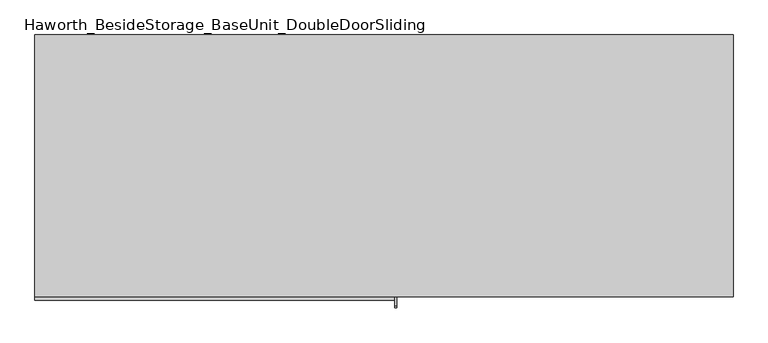
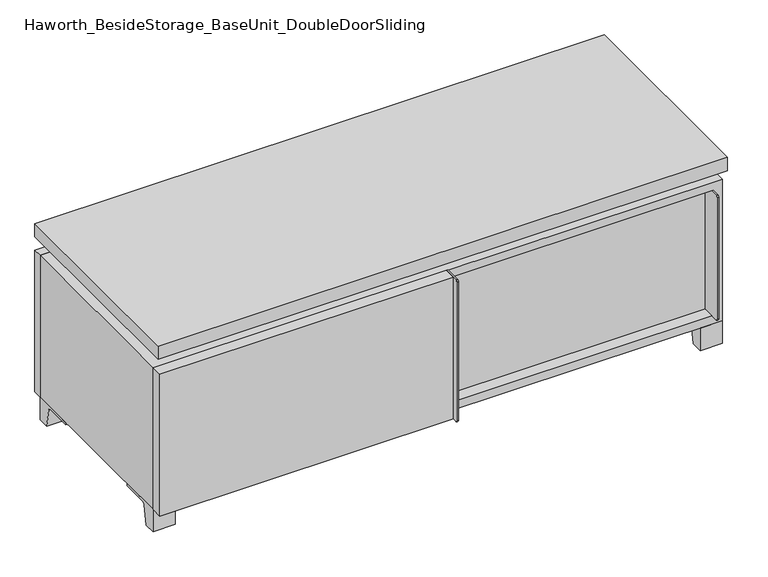
"""IFC4 building model written with IfcOpenShell, lengths in millimetres: furniture geometry, Haworth_BesideStorage_BaseUnit_DoubleDoorSliding."""

from ifc_helpers import new_model, si_unit, point, frame, frame_2d, origin, place, context, project, spatial, polyline, circle_curve, trimmed, segment, composite_curve, outline, extrude, faceted_brep, source, transform, mapped, element, save


def haworth_besidestorage_baseunit_doubledoorsliding_3e0b01a2(model_context):
    return source(origin(), model_context, "Body", "SolidModel", [
        extrude(outline(polyline([(9.5319453, 241.3), (590.5569453, 241.3), (590.5569453, -92.075), (9.5319453, -92.075), (9.5319453, 241.3)])), frame((0.0, 0.0, 201.6125), z_axis=(0.0, 0.0, 1.0), x_axis=(1.0, 0.0, 0.0)), (0.0, 0.0, 1.0), 19.05),
        extrude(outline(polyline([(-9.5041641, 241.3), (-9.5041641, -92.075), (-590.5291641, -92.075), (-590.5291641, 241.3), (-9.5041641, 241.3)])), frame((0.0, 0.0, 201.6125), z_axis=(0.0, 0.0, 1.0), x_axis=(1.0, 0.0, 0.0)), (0.0, 0.0, 1.0), 19.05),
        extrude(outline(composite_curve([segment(polyline([(-95.25, 352.425), (-95.25, 69.85), (-161.925, 69.85)]), True, "CONTINUOUS"), segment(trimmed(circle_curve(frame_2d((-161.925, 73.025)), 3.175), [point((-161.925, 69.85))], [point((-165.1, 73.025))], False, "CARTESIAN"), True, "CONTINUOUS"), segment(polyline([(-165.1, 73.025), (-165.1, 349.25)]), True, "CONTINUOUS"), segment(trimmed(circle_curve(frame_2d((-161.925, 349.25)), 3.175), [point((-165.1, 349.25))], [point((-161.925, 352.425))], False, "CARTESIAN"), True, "CONTINUOUS"), segment(polyline([(-161.925, 352.425), (-95.25, 352.425)]), True, "CONTINUOUS")], self_intersect=False)), frame((587.3819453, 0.0, 0.0), z_axis=(1.0, 0.0, 0.0), x_axis=(0.0, 1.0, 0.0)), (0.0, 0.0, 1.0), 3.175),
        extrude(outline(polyline([(15.8819453, -95.25), (587.3819453, -95.25), (587.3819453, -120.65), (15.8819453, -120.65), (15.8819453, -95.25)])), frame((0.0, 0.0, 69.85), z_axis=(0.0, 0.0, 1.0), x_axis=(1.0, 0.0, 0.0)), (0.0, 0.0, 1.0), 282.575),
        extrude(outline(polyline([(609.6138906, 292.1), (609.6138906, -165.1), (-609.5861094, -165.1), (-609.5861094, 292.1), (609.6138906, 292.1)])), frame((0.0, 0.0, 401.6375), z_axis=(0.0, 0.0, 1.0), x_axis=(1.0, 0.0, 0.0)), (0.0, 0.0, 1.0), 30.1625),
        extrude(outline(composite_curve([segment(polyline([(-146.05, 371.475), (-146.05, 50.8), (-180.975, 50.8)]), True, "CONTINUOUS"), segment(trimmed(circle_curve(frame_2d((-180.975, 53.975)), 3.175), [point((-180.975, 50.8))], [point((-184.15, 53.975))], False, "CARTESIAN"), True, "CONTINUOUS"), segment(polyline([(-184.15, 53.975), (-184.15, 368.3)]), True, "CONTINUOUS"), segment(trimmed(circle_curve(frame_2d((-180.975, 368.3)), 3.175), [point((-184.15, 368.3))], [point((-180.975, 371.475))], False, "CARTESIAN"), True, "CONTINUOUS"), segment(polyline([(-180.975, 371.475), (-146.05, 371.475)]), True, "CONTINUOUS")], self_intersect=False)), frame((19.0638906, 0.0, 0.0), z_axis=(1.0, 0.0, 0.0), x_axis=(0.0, 1.0, 0.0)), (0.0, 0.0, 1.0), 3.175),
        extrude(outline(polyline([(-609.5861094, -146.05), (19.0638906, -146.05), (19.0638906, -171.45), (-609.5861094, -171.45), (-609.5861094, -146.05)])), frame((0.0, 0.0, 50.8), z_axis=(0.0, 0.0, 1.0), x_axis=(1.0, 0.0, 0.0)), (0.0, 0.0, 1.0), 320.675),
        extrude(outline(composite_curve([segment(polyline([(-120.6500136, 0.0), (-146.05, 0.0), (-146.05, 50.8), (-50.8, 50.8), (-50.8, 46.0213321), (-107.6005345, 46.0213321)]), True, "CONTINUOUS"), segment(trimmed(circle_curve(frame_2d((-107.6005345, 39.6713321)), 6.35), [point((-107.6005345, 46.0213321))], [point((-113.8641359, 40.7152656))], True, "CARTESIAN"), True, "CONTINUOUS"), segment(polyline([(-113.8641359, 40.7152656), (-120.6500136, 0.0)]), True, "CONTINUOUS")], self_intersect=False)), frame((561.9888906, 0.0, 0.0), z_axis=(1.0, 0.0, 0.0), x_axis=(0.0, 1.0, 0.0)), (0.0, 0.0, 1.0), 47.625),
        extrude(outline(composite_curve([segment(polyline([(247.6500136, 0.0), (240.8641359, 40.7152656)]), True, "CONTINUOUS"), segment(trimmed(circle_curve(frame_2d((234.6005345, 39.6713321)), 6.35), [point((240.8641359, 40.7152656))], [point((234.6005345, 46.0213321))], True, "CARTESIAN"), True, "CONTINUOUS"), segment(polyline([(234.6005345, 46.0213321), (177.8, 46.0213321), (177.8, 50.8), (273.05, 50.8), (273.05, 0.0), (247.6500136, 0.0)]), True, "CONTINUOUS")], self_intersect=False)), frame((561.9888906, 0.0, 0.0), z_axis=(1.0, 0.0, 0.0), x_axis=(0.0, 1.0, 0.0)), (0.0, 0.0, 1.0), 47.625),
        extrude(outline(composite_curve([segment(polyline([(-120.6500136, 0.0), (-146.05, 0.0), (-146.05, 50.8), (-50.8, 50.8), (-50.8, 46.0213321), (-107.6005345, 46.0213321)]), True, "CONTINUOUS"), segment(trimmed(circle_curve(frame_2d((-107.6005345, 39.6713321)), 6.35), [point((-107.6005345, 46.0213321))], [point((-113.8641359, 40.7152656))], True, "CARTESIAN"), True, "CONTINUOUS"), segment(polyline([(-113.8641359, 40.7152656), (-120.6500136, 0.0)]), True, "CONTINUOUS")], self_intersect=False)), frame((-609.5861094, 0.0, 0.0), z_axis=(1.0, 0.0, 0.0), x_axis=(0.0, 1.0, 0.0)), (0.0, 0.0, 1.0), 47.625),
        extrude(outline(composite_curve([segment(polyline([(247.6500136, 0.0), (240.8641359, 40.7152656)]), True, "CONTINUOUS"), segment(trimmed(circle_curve(frame_2d((234.6005345, 39.6713321)), 6.35), [point((240.8641359, 40.7152656))], [point((234.6005345, 46.0213321))], True, "CARTESIAN"), True, "CONTINUOUS"), segment(polyline([(234.6005345, 46.0213321), (177.8, 46.0213321), (177.8, 50.8), (273.05, 50.8), (273.05, 0.0), (247.6500136, 0.0)]), True, "CONTINUOUS")], self_intersect=False)), frame((-609.5861094, 0.0, 0.0), z_axis=(1.0, 0.0, 0.0), x_axis=(0.0, 1.0, 0.0)), (0.0, 0.0, 1.0), 47.625),
        faceted_brep([(7.9513906, -120.65, 401.6375), (7.9513906, -120.65, 371.475), (7.9513906, 53.975, 371.475), (7.9513906, 53.975, 401.6375), (7.9513906, 247.65, 371.475), (7.9513906, 247.65, 401.6375), (7.9513906, 73.025, 401.6375), (7.9513906, 73.025, 371.475), (-7.9236094, 247.65, 401.6375), (-7.9236094, 247.65, 371.475), (-7.9236094, 73.025, 371.475), (-7.9236094, 73.025, 401.6375), (-7.9236094, -120.65, 371.475), (-7.9236094, -120.65, 401.6375), (-7.9236094, 53.975, 401.6375), (-7.9236094, 53.975, 371.475), (-568.2833281, 73.025, 401.6375), (-568.3041641, 247.65, 401.6375), (-584.1791641, 247.65, 401.6375), (-584.1791641, -120.65, 401.6375), (-568.3041641, -120.65, 401.6375), (-568.3041641, 53.975, 401.6375), (568.3111094, 53.975, 401.6375), (568.3111094, -120.65, 401.6375), (584.1861094, -120.65, 401.6375), (584.1861094, 247.65, 401.6375), (568.3111094, 247.65, 401.6375), (568.3111094, 73.025, 401.6375), (-568.2833281, 53.975, 371.475), (-568.3041641, -120.65, 371.475), (-584.1791641, -120.65, 371.475), (-584.1791641, 247.65, 371.475), (-568.3041641, 247.65, 371.475), (-568.3041641, 73.025, 371.475), (568.3111094, 73.025, 371.475), (568.3111094, 247.65, 371.475), (584.1861094, 247.65, 371.475), (584.1861094, -120.65, 371.475), (568.3111094, -120.65, 371.475), (568.3111094, 53.975, 371.475)], [[[0, 1, 2, 3]], [[4, 5, 6, 7]], [[8, 9, 10, 11]], [[12, 13, 14, 15]], [[5, 8, 11, 16, 17, 18, 19, 20, 21, 14, 13, 0, 3, 22, 23, 24, 25, 26, 27, 6]], [[1, 12, 15, 28, 29, 30, 31, 32, 33, 10, 9, 4, 7, 34, 35, 36, 37, 38, 39, 2]], [[5, 4, 9, 8]], [[1, 0, 13, 12]], [[6, 27, 34, 7]], [[22, 3, 2, 39]], [[20, 29, 28, 21]], [[32, 17, 16, 33]], [[18, 31, 30, 19]], [[29, 20, 19, 30]], [[17, 32, 31, 18]], [[26, 35, 34, 27]], [[38, 23, 22, 39]], [[25, 24, 37, 36]], [[23, 38, 37, 24]], [[35, 26, 25, 36]], [[16, 11, 10, 33]], [[14, 21, 28, 15]]]),
        extrude(outline(polyline([(9.5388906, 241.3), (9.5388906, -95.25), (-9.5111094, -95.25), (-9.5111094, 241.3), (9.5388906, 241.3)])), frame((0.0, 0.0, 69.85), z_axis=(0.0, 0.0, 1.0), x_axis=(1.0, 0.0, 0.0)), (0.0, 0.0, 1.0), 282.575),
        extrude(outline(polyline([(15.8888906, -88.9), (15.8888906, -146.05), (-9.5111094, -146.05), (-9.5111094, -120.65), (3.1888906, -120.65), (3.1888906, -88.9), (15.8888906, -88.9)])), frame((0.0, 0.0, 69.85), z_axis=(0.0, 0.0, 1.0), x_axis=(1.0, 0.0, 0.0)), (0.0, 0.0, 1.0), 282.575),
        extrude(outline(polyline([(609.6138906, 273.05), (-609.5861094, 273.05), (-609.5861094, 292.1), (609.6138906, 292.1), (609.6138906, 273.05)])), frame((0.0, 0.0, 50.8), z_axis=(0.0, 0.0, 1.0), x_axis=(1.0, 0.0, 0.0)), (0.0, 0.0, 1.0), 320.675),
        extrude(outline(polyline([(50.8, -609.5861094), (50.8, 609.6), (371.475, 609.6), (371.475, -609.5861094), (50.8, -609.5861094)]), holes=[polyline([(69.85, -590.5361094), (352.425, -590.5361094), (352.425, 590.5361094), (69.85, 590.5361094), (69.85, -590.5361094)])]), frame((0.0, -146.05, 0.0), z_axis=(0.0, 1.0, 0.0), x_axis=(0.0, 0.0, 1.0)), (0.0, 0.0, 1.0), 419.1),
        extrude(outline(polyline([(-590.5291641, 241.3), (-590.5291641, 247.65), (590.5569453, 247.65), (590.5569453, 241.3), (-590.5291641, 241.3)])), frame((0.0, 0.0, 69.85), z_axis=(0.0, 0.0, 1.0), x_axis=(1.0, 0.0, 0.0)), (0.0, 0.0, 1.0), 282.575),
    ])


if __name__ == "__main__":
    model = new_model("IFC4")
    model_context = context("Model", 3, world=origin())
    ifc_project = project(units=[si_unit("LENGTHUNIT", "METRE", prefix="MILLI")], contexts=[model_context])
    site = spatial("IfcSite", under=ifc_project)
    building = spatial("IfcBuilding", under=site)
    placement = place(None, origin())
    haworth_besidestorage_baseunit_doubledoorsliding_shape = haworth_besidestorage_baseunit_doubledoorsliding_3e0b01a2(model_context)
    element("IfcFurniture", 1, ObjectType="Haworth_BesideStorage_BaseUnit_DoubleDoorSliding", at=placement, inside=building, context=model_context, shape_type="MappedRepresentation", body=[
        mapped(haworth_besidestorage_baseunit_doubledoorsliding_shape, transform((0.0, 0.0, 0.0), x_axis=(1.0, 0.0, 0.0), y_axis=(0.0, 1.0, 0.0), z_axis=(0.0, 0.0, 1.0))),
    ])
    save(model, "model.ifc")
